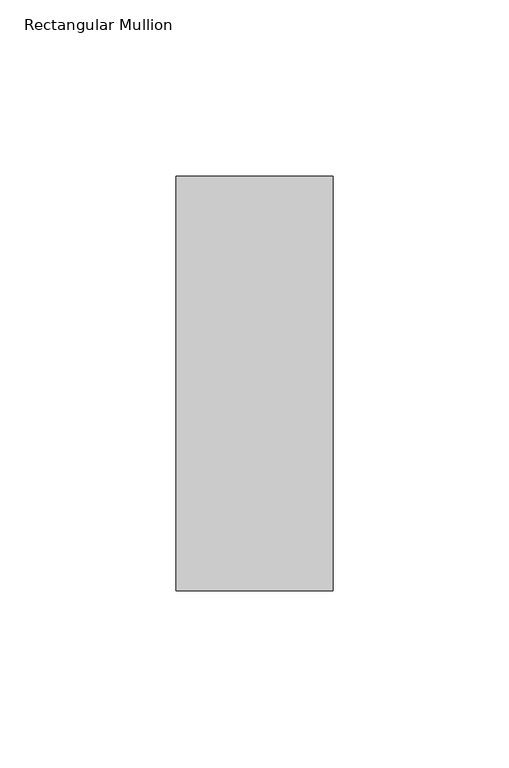
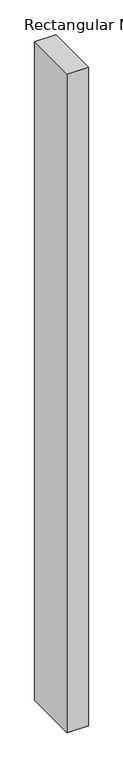
"""IFC4 building model written with IfcOpenShell, lengths in millimetres: member geometry, Rectangular Mullion."""

import ifcopenshell
import ifcopenshell.guid

model = None  # the IFC model being written
_history = None  # IfcOwnerHistory: only IFC2X3 demands one
_inside = {}  # id of a spatial element -> (the spatial element, [elements in it])
_under = {}  # id of a project, library or spatial element -> (it, [spatial elements below it])
_declared = {}  # id of a project -> (the project, [libraries it declares])
_typed = {}  # id of a type object -> (the type object, [elements of that type])
_made_of = {}  # id of a material, layer set ... -> (it, [elements and type objects made of it])


def new_model(schema):
    """Start an empty IFC model of exactly this schema.

    Asked for "IFC4X3", IfcOpenShell would pick the latest addendum, in which some entities
    have other attributes; the version numbers below select the first issue.
    IFC2X3 requires an IfcOwnerHistory on every rooted entity: one is made here for all.
    """
    global model, _history
    if schema == "IFC4X3":
        model = ifcopenshell.file(schema_version=(4, 3, 0, 0))
    else:
        model = ifcopenshell.file(schema=schema)
    _inside.clear()
    _under.clear()
    _declared.clear()
    _typed.clear()
    _made_of.clear()
    _history = None
    if model.schema == "IFC2X3":
        org = make("IfcOrganization", Name="unknown")
        user = make(
            "IfcPersonAndOrganization",
            ThePerson=make("IfcPerson", FamilyName="unknown"),
            TheOrganization=org,
        )
        app = make(
            "IfcApplication",
            ApplicationDeveloper=org,
            Version="unknown",
            ApplicationFullName="unknown",
            ApplicationIdentifier="unknown",
        )
        _history = make(
            "IfcOwnerHistory",
            OwningUser=user,
            OwningApplication=app,
            ChangeAction="ADDED",
            CreationDate=0,
        )
    return model


def make(cls, **values):
    """One entity of the class cls with the attributes given. An attribute that is None is left unset."""
    return model.create_entity(
        cls, **{name: value for name, value in values.items() if value is not None}
    )


def rooted(cls, **values):
    """An entity with a GlobalId (a new one), such as an element, a storey or a relation."""
    return make(cls, GlobalId=ifcopenshell.guid.new(), OwnerHistory=_history, **values)


def si_unit(unit_type, name, prefix=None):
    """IfcSIUnit, for example si_unit("LENGTHUNIT", "METRE", prefix="MILLI")."""
    return make("IfcSIUnit", UnitType=unit_type, Prefix=prefix, Name=name)


def assignment(units):
    """IfcUnitAssignment: the units of a project."""
    return None if units is None else make("IfcUnitAssignment", Units=units)


def point(xyz):
    """IfcCartesianPoint."""
    return None if xyz is None else make("IfcCartesianPoint", Coordinates=xyz)


def direction(xyz):
    """IfcDirection."""
    return None if xyz is None else make("IfcDirection", DirectionRatios=xyz)


def frame(location, z_axis=None, x_axis=None):
    """IfcAxis2Placement3D, a coordinate frame: its origin and axes. An axis left out is left unset."""
    return make(
        "IfcAxis2Placement3D",
        Location=point(location),
        Axis=direction(z_axis),
        RefDirection=direction(x_axis),
    )


def origin():
    """The frame at (0, 0, 0) with its axes left unset."""
    return frame((0.0, 0.0, 0.0))


def place(relative_to, where):
    """IfcLocalPlacement: puts the frame where relative to a parent placement (None: the world)."""
    return make(
        "IfcLocalPlacement", PlacementRelTo=relative_to, RelativePlacement=where
    )


def context(
    kind, dimensions, precision=None, world=None, true_north=None, identifier=None
):
    """IfcGeometricRepresentationContext, for example the 3D "Model" context."""
    return make(
        "IfcGeometricRepresentationContext",
        ContextIdentifier=identifier,
        ContextType=kind,
        CoordinateSpaceDimension=dimensions,
        Precision=precision,
        WorldCoordinateSystem=world,
        TrueNorth=true_north,
    )


def project(units=None, contexts=None):
    """IfcProject with its units and contexts."""
    return rooted(
        "IfcProject",
        Name="project",
        RepresentationContexts=contexts,
        UnitsInContext=assignment(units),
    )


def spatial(cls, under=None, at=None, **own):
    """A site, building, storey or space (cls), placed at a placement, below another one or the project."""
    s = rooted(cls, ObjectPlacement=at, **own)
    if under is not None:
        _under.setdefault(under.id(), (under, []))[1].append(s)
    return s


def polyline(points):
    """IfcPolyline through the points."""
    return make("IfcPolyline", Points=[point(p) for p in points])


def outline(outer, holes=None, kind="AREA"):
    """IfcArbitraryClosedProfileDef: a profile drawn as a closed curve; with holes, ...WithVoids."""
    if holes is None:
        return make("IfcArbitraryClosedProfileDef", ProfileType=kind, OuterCurve=outer)
    return make(
        "IfcArbitraryProfileDefWithVoids",
        ProfileType=kind,
        OuterCurve=outer,
        InnerCurves=holes,
    )


def extrude(swept, where, along, depth):
    """IfcExtrudedAreaSolid: the profile swept, set in the frame where, extruded along a direction by depth."""
    return make(
        "IfcExtrudedAreaSolid",
        SweptArea=swept,
        Position=where,
        ExtrudedDirection=direction(along),
        Depth=depth,
    )


def shape(context_of_items, identifier, shape_type, items):
    """IfcShapeRepresentation: the items that make up one representation, for example the "Body"."""
    return make(
        "IfcShapeRepresentation",
        ContextOfItems=context_of_items,
        RepresentationIdentifier=identifier,
        RepresentationType=shape_type,
        Items=items,
    )


def source(mapping_origin, context_of_items, identifier, shape_type, items):
    """IfcRepresentationMap: a shape defined once, which mapped items show again and again."""
    return make(
        "IfcRepresentationMap",
        MappingOrigin=mapping_origin,
        MappedRepresentation=shape(context_of_items, identifier, shape_type, items),
    )


def transform(
    local_origin,
    x_axis=None,
    y_axis=None,
    z_axis=None,
    scale=None,
    scale2=None,
    scale3=None,
    uniform=True,
):
    """IfcCartesianTransformationOperator3D, or its non-uniform kind. x_axis, y_axis, z_axis: its Axis1, 2, 3."""
    if uniform:
        return make(
            "IfcCartesianTransformationOperator3D",
            Axis1=direction(x_axis),
            Axis2=direction(y_axis),
            LocalOrigin=point(local_origin),
            Scale=scale,
            Axis3=direction(z_axis),
        )
    return make(
        "IfcCartesianTransformationOperator3DnonUniform",
        Axis1=direction(x_axis),
        Axis2=direction(y_axis),
        LocalOrigin=point(local_origin),
        Scale=scale,
        Axis3=direction(z_axis),
        Scale2=scale2,
        Scale3=scale3,
    )


def mapped(mapping_source, mapping_target):
    """IfcMappedItem: shows the shape of a source again, moved by a transform."""
    return make(
        "IfcMappedItem", MappingSource=mapping_source, MappingTarget=mapping_target
    )


def made_of(thing, what):
    """Note that an element or type object is made of a material, layer set ...; save() writes the relation."""
    if what is not None:
        _made_of.setdefault(what.id(), (what, []))[1].append(thing)
    return thing


def element(
    cls,
    number,
    at=None,
    inside=None,
    cuts=None,
    type_object=None,
    material=None,
    context=None,
    identifier="Body",
    shape_type=None,
    held_by="IfcProductDefinitionShape",
    body=None,
    shapes=None,
    **own,
):
    """One element of the class cls, such as IfcWall. Its Tag is "e" and its number.

    at: its placement. inside: the storey or other place that contains it. cuts: it is an
    opening in that element (IfcRelVoidsElement). A single representation is given by context,
    identifier, shape_type and body (its items); several are given by shapes. held_by: the class
    of the entity that holds the representations. save() writes the other relations.
    """
    e = rooted(cls, Tag="e%d" % number, ObjectPlacement=at, **own)
    if body is not None:
        shapes = [shape(context, identifier, shape_type, body)]
    if shapes is not None:
        e.Representation = make(held_by, Representations=shapes)
    if inside is not None:
        _inside.setdefault(inside.id(), (inside, []))[1].append(e)
    if cuts is not None:
        rooted(
            "IfcRelVoidsElement", RelatingBuildingElement=cuts, RelatedOpeningElement=e
        )
    if type_object is not None:
        _typed.setdefault(type_object.id(), (type_object, []))[1].append(e)
    return made_of(e, material)


def aggregate(whole, parts):
    """IfcRelAggregates: a whole, such as a stair, and the parts it consists of."""
    return rooted("IfcRelAggregates", RelatingObject=whole, RelatedObjects=parts)


def save(model, path):
    """Write the relations noted so far, then the file.

    IfcRelAggregates (storeys below a building ...), IfcRelContainedInSpatialStructure (elements
    in a storey), IfcRelDefinesByType, IfcRelAssociatesMaterial and IfcRelDeclares: one each for
    every whole, place, type object, material and project.
    """
    for whole, parts in _under.values():
        aggregate(whole, parts)
    for where, things in _inside.values():
        rooted(
            "IfcRelContainedInSpatialStructure",
            RelatedElements=things,
            RelatingStructure=where,
        )
    for kind, things in _typed.values():
        rooted("IfcRelDefinesByType", RelatedObjects=things, RelatingType=kind)
    for what, things in _made_of.values():
        rooted("IfcRelAssociatesMaterial", RelatedObjects=things, RelatingMaterial=what)
    for by, libraries in _declared.values():
        rooted("IfcRelDeclares", RelatingContext=by, RelatedDefinitions=libraries)
    model.write(path)


def rectangular_mullion_c220ea84(model_context):
    return source(origin(), model_context, "Body", "SweptSolid", [
        extrude(outline(polyline([(-44.4386654, 60.3888684), (0.0, 60.3888684), (0.0, -57.1079043), (-44.4386654, -57.1079043), (-44.4386654, 60.3888684)])), frame((0.0, 0.0, -1457.3363346), z_axis=(0.0, 0.0, 1.0), x_axis=(1.0, 0.0, 0.0)), (0.0, 0.0, 1.0), 1457.3363346),
    ])


if __name__ == "__main__":
    model = new_model("IFC4")
    model_context = context("Model", 3, world=origin())
    ifc_project = project(units=[si_unit("LENGTHUNIT", "METRE", prefix="MILLI")], contexts=[model_context])
    site = spatial("IfcSite", under=ifc_project)
    building = spatial("IfcBuilding", under=site)
    placement = place(None, origin())
    rectangular_mullion_shape = rectangular_mullion_c220ea84(model_context)
    element("IfcMember", 1, ObjectType="Rectangular Mullion", at=placement, inside=building, context=model_context, shape_type="MappedRepresentation", body=[
        mapped(rectangular_mullion_shape, transform((0.0, 0.0, 0.0), x_axis=(1.0, 0.0, 0.0), y_axis=(0.0, 1.0, 0.0), z_axis=(0.0, 0.0, 1.0))),
    ])
    save(model, "model.ifc")
